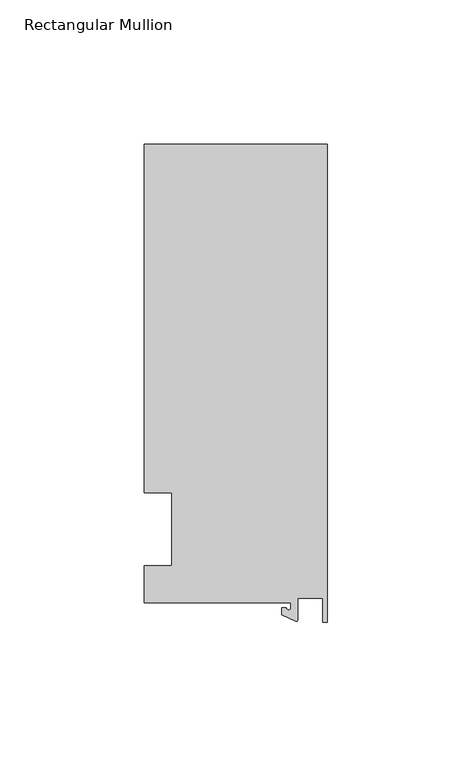
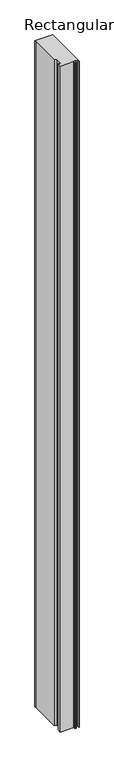
"""IFC4 building model written with IfcOpenShell, lengths in millimetres: member geometry, Rectangular Mullion."""

from ifc_helpers import new_model, si_unit, point, frame, frame_2d, origin, place, context, project, spatial, polyline, circle_curve, trimmed, segment, composite_curve, outline, extrude, source, transform, mapped, element, save


def rectangular_mullion_c9137289(model_context):
    return source(origin(), model_context, "Body", "SweptSolid", [
        extrude(outline(composite_curve([segment(polyline([(-12.6979967, -25.4849312), (-63.5, -25.4849312), (-63.5, -12.7), (-53.975, -12.7), (-53.975, 12.7), (-63.5, 12.7), (-63.5, 125.6958688), (-63.5, 133.4428688), (0.0, 133.4428688), (0.0, -32.288874), (-1.5658966, -32.288874), (-1.7144124, -23.9227662), (-10.3103967, -23.9227662), (-10.3103967, -31.3654561)]), True, "CONTINUOUS"), segment(trimmed(circle_curve(frame_2d((-10.8183967, -31.3654561)), 0.508), [point((-10.3103967, -31.3654561))], [point((-11.0330867, -31.8258605))], False, "CARTESIAN"), True, "CONTINUOUS"), segment(polyline([(-11.0330867, -31.8258605), (-15.8729967, -29.5689734), (-15.8729967, -27.2067741), (-14.2854967, -27.2067741)]), True, "CONTINUOUS"), segment(trimmed(circle_curve(frame_2d((-13.4917467, -27.2067741)), 0.79375), [point((-14.2854967, -27.2067741))], [point((-12.6979967, -27.2067741))], True, "CARTESIAN"), True, "CONTINUOUS"), segment(polyline([(-12.6979967, -27.2067741), (-12.6979967, -25.4849312)]), True, "CONTINUOUS")], self_intersect=False)), frame((0.0, 0.0, -2540.0), z_axis=(0.0, 0.0, 1.0), x_axis=(1.0, 0.0, 0.0)), (0.0, 0.0, 1.0), 2540.0),
    ])


if __name__ == "__main__":
    model = new_model("IFC4")
    model_context = context("Model", 3, world=origin())
    ifc_project = project(units=[si_unit("LENGTHUNIT", "METRE", prefix="MILLI")], contexts=[model_context])
    site = spatial("IfcSite", under=ifc_project)
    building = spatial("IfcBuilding", under=site)
    placement = place(None, origin())
    rectangular_mullion_shape = rectangular_mullion_c9137289(model_context)
    element("IfcMember", 1, ObjectType="Rectangular Mullion", at=placement, inside=building, context=model_context, shape_type="MappedRepresentation", body=[
        mapped(rectangular_mullion_shape, transform((0.0, 0.0, 0.0), x_axis=(1.0, 0.0, 0.0), y_axis=(0.0, 1.0, 0.0), z_axis=(0.0, 0.0, 1.0))),
    ])
    save(model, "model.ifc")
